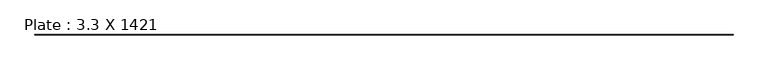
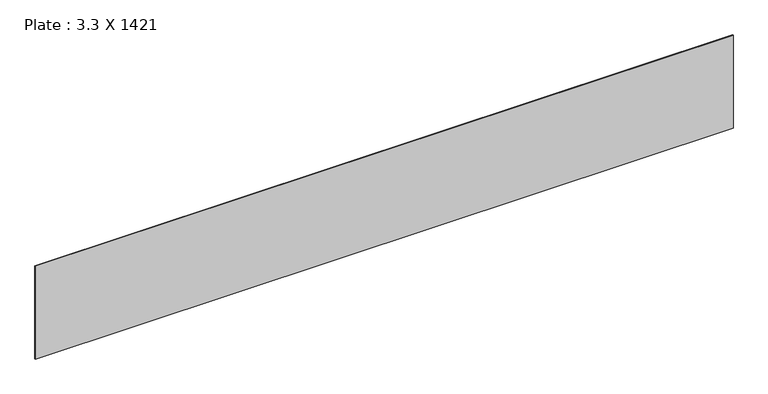
"""IFC4 building model written with IfcOpenShell, lengths in millimetres: beam geometry, Plate : 3.3 X 1421."""

from ifc_helpers import new_model, si_unit, frame, origin, place, context, project, spatial, polyline, outline, extrude, source, transform, mapped, element, save


def plate_3_3_x_1421_4a81648e(model_context):
    return source(origin(), model_context, "Body", "SweptSolid", [
        extrude(outline(polyline([(5024.9999994, -1.65), (-5024.9999994, -1.65), (-5024.9999994, 1.65), (5024.9999994, 1.65), (5024.9999994, -1.65)])), frame((0.0, 0.0, -710.5), z_axis=(0.0, 0.0, 1.0), x_axis=(1.0, 0.0, 0.0)), (0.0, 0.0, 1.0), 1421.0),
    ])


if __name__ == "__main__":
    model = new_model("IFC4")
    model_context = context("Model", 3, world=origin())
    ifc_project = project(units=[si_unit("LENGTHUNIT", "METRE", prefix="MILLI")], contexts=[model_context])
    site = spatial("IfcSite", under=ifc_project)
    building = spatial("IfcBuilding", under=site)
    placement = place(None, origin())
    plate_3_3_x_1421_shape = plate_3_3_x_1421_4a81648e(model_context)
    element("IfcBeam", 1, ObjectType="Plate : 3.3 X 1421", at=placement, inside=building, context=model_context, shape_type="MappedRepresentation", body=[
        mapped(plate_3_3_x_1421_shape, transform((0.0, 0.0, 0.0), x_axis=(1.0, 0.0, 0.0), y_axis=(0.0, 1.0, 0.0), z_axis=(0.0, 0.0, 1.0))),
    ])
    save(model, "model.ifc")
